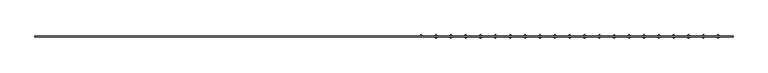
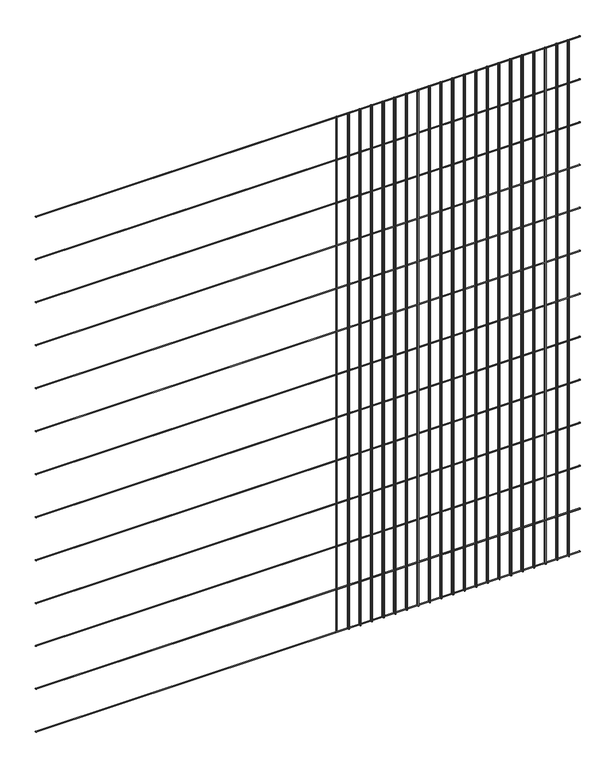
"""IFC4 building model written with IfcOpenShell, lengths in millimetres: railing geometry."""

from ifc_helpers import new_model, si_unit, point, frame, frame_2d, origin, place, context, project, spatial, circle_curve, trimmed, segment, composite_curve, outline, extrude, source, transform, mapped, element, save


def railing_7a34ae72(model_context):
    return source(origin(), model_context, "Body", "SweptSolid", [
        extrude(outline(composite_curve([segment(trimmed(circle_curve(frame_2d((-1798.7360363, 10060.4835937)), 2.0574), [point((-1796.6786363, 10060.4835937))], [point((-1800.7934363, 10060.4835937))], False, "CARTESIAN"), True, "CONTINUOUS"), segment(trimmed(circle_curve(frame_2d((-1798.7360363, 10060.4835937)), 2.0574), [point((-1800.7934363, 10060.4835937))], [point((-1796.6786363, 10060.4835937))], False, "CARTESIAN"), True, "CONTINUOUS")], self_intersect=False)), frame((906.5418624, 0.0, 0.0), z_axis=(1.0, 0.0, 0.0), x_axis=(0.0, 1.0, 0.0)), (0.0, 0.0, 1.0), 2438.4),
        extrude(outline(composite_curve([segment(trimmed(circle_curve(frame_2d((-1798.7360363, 9857.2835937)), 2.0574), [point((-1796.6786363, 9857.2835937))], [point((-1800.7934363, 9857.2835937))], False, "CARTESIAN"), True, "CONTINUOUS"), segment(trimmed(circle_curve(frame_2d((-1798.7360363, 9857.2835937)), 2.0574), [point((-1800.7934363, 9857.2835937))], [point((-1796.6786363, 9857.2835937))], False, "CARTESIAN"), True, "CONTINUOUS")], self_intersect=False)), frame((906.5418624, 0.0, 0.0), z_axis=(1.0, 0.0, 0.0), x_axis=(0.0, 1.0, 0.0)), (0.0, 0.0, 1.0), 2438.4),
        extrude(outline(composite_curve([segment(trimmed(circle_curve(frame_2d((-1798.7360363, 9654.0835937)), 2.0574), [point((-1796.6786363, 9654.0835937))], [point((-1800.7934363, 9654.0835937))], False, "CARTESIAN"), True, "CONTINUOUS"), segment(trimmed(circle_curve(frame_2d((-1798.7360363, 9654.0835937)), 2.0574), [point((-1800.7934363, 9654.0835937))], [point((-1796.6786363, 9654.0835937))], False, "CARTESIAN"), True, "CONTINUOUS")], self_intersect=False)), frame((906.5418624, 0.0, 0.0), z_axis=(1.0, 0.0, 0.0), x_axis=(0.0, 1.0, 0.0)), (0.0, 0.0, 1.0), 2438.4),
        extrude(outline(composite_curve([segment(trimmed(circle_curve(frame_2d((-1798.7360363, 9450.8835937)), 2.0574), [point((-1796.6786363, 9450.8835937))], [point((-1800.7934363, 9450.8835937))], False, "CARTESIAN"), True, "CONTINUOUS"), segment(trimmed(circle_curve(frame_2d((-1798.7360363, 9450.8835937)), 2.0574), [point((-1800.7934363, 9450.8835937))], [point((-1796.6786363, 9450.8835937))], False, "CARTESIAN"), True, "CONTINUOUS")], self_intersect=False)), frame((906.5418624, 0.0, 0.0), z_axis=(1.0, 0.0, 0.0), x_axis=(0.0, 1.0, 0.0)), (0.0, 0.0, 1.0), 2438.4),
        extrude(outline(composite_curve([segment(trimmed(circle_curve(frame_2d((-1798.7360363, 9247.6835937)), 2.0574), [point((-1796.6786363, 9247.6835937))], [point((-1800.7934363, 9247.6835937))], False, "CARTESIAN"), True, "CONTINUOUS"), segment(trimmed(circle_curve(frame_2d((-1798.7360363, 9247.6835937)), 2.0574), [point((-1800.7934363, 9247.6835937))], [point((-1796.6786363, 9247.6835937))], False, "CARTESIAN"), True, "CONTINUOUS")], self_intersect=False)), frame((906.5418624, 0.0, 0.0), z_axis=(1.0, 0.0, 0.0), x_axis=(0.0, 1.0, 0.0)), (0.0, 0.0, 1.0), 2438.4),
        extrude(outline(composite_curve([segment(trimmed(circle_curve(frame_2d((-1798.7360363, 9044.4835937)), 2.0574), [point((-1796.6786363, 9044.4835937))], [point((-1800.7934363, 9044.4835937))], False, "CARTESIAN"), True, "CONTINUOUS"), segment(trimmed(circle_curve(frame_2d((-1798.7360363, 9044.4835937)), 2.0574), [point((-1800.7934363, 9044.4835937))], [point((-1796.6786363, 9044.4835937))], False, "CARTESIAN"), True, "CONTINUOUS")], self_intersect=False)), frame((906.5418624, 0.0, 0.0), z_axis=(1.0, 0.0, 0.0), x_axis=(0.0, 1.0, 0.0)), (0.0, 0.0, 1.0), 2438.4),
        extrude(outline(composite_curve([segment(trimmed(circle_curve(frame_2d((-1798.7360363, 8841.2835937)), 2.0574), [point((-1796.6786363, 8841.2835937))], [point((-1800.7934363, 8841.2835937))], False, "CARTESIAN"), True, "CONTINUOUS"), segment(trimmed(circle_curve(frame_2d((-1798.7360363, 8841.2835937)), 2.0574), [point((-1800.7934363, 8841.2835937))], [point((-1796.6786363, 8841.2835937))], False, "CARTESIAN"), True, "CONTINUOUS")], self_intersect=False)), frame((906.5418624, 0.0, 0.0), z_axis=(1.0, 0.0, 0.0), x_axis=(0.0, 1.0, 0.0)), (0.0, 0.0, 1.0), 2438.4),
        extrude(outline(composite_curve([segment(trimmed(circle_curve(frame_2d((-1798.7360363, 8638.0835937)), 2.0574), [point((-1796.6786363, 8638.0835937))], [point((-1800.7934363, 8638.0835937))], False, "CARTESIAN"), True, "CONTINUOUS"), segment(trimmed(circle_curve(frame_2d((-1798.7360363, 8638.0835937)), 2.0574), [point((-1800.7934363, 8638.0835937))], [point((-1796.6786363, 8638.0835937))], False, "CARTESIAN"), True, "CONTINUOUS")], self_intersect=False)), frame((906.5418624, 0.0, 0.0), z_axis=(1.0, 0.0, 0.0), x_axis=(0.0, 1.0, 0.0)), (0.0, 0.0, 1.0), 2438.4),
        extrude(outline(composite_curve([segment(trimmed(circle_curve(frame_2d((-1798.7360363, 8434.8835937)), 2.0574), [point((-1796.6786363, 8434.8835937))], [point((-1800.7934363, 8434.8835937))], False, "CARTESIAN"), True, "CONTINUOUS"), segment(trimmed(circle_curve(frame_2d((-1798.7360363, 8434.8835937)), 2.0574), [point((-1800.7934363, 8434.8835937))], [point((-1796.6786363, 8434.8835937))], False, "CARTESIAN"), True, "CONTINUOUS")], self_intersect=False)), frame((906.5418624, 0.0, 0.0), z_axis=(1.0, 0.0, 0.0), x_axis=(0.0, 1.0, 0.0)), (0.0, 0.0, 1.0), 2438.4),
        extrude(outline(composite_curve([segment(trimmed(circle_curve(frame_2d((-1798.7360363, 8231.6835937)), 2.0574), [point((-1796.6786363, 8231.6835937))], [point((-1800.7934363, 8231.6835937))], False, "CARTESIAN"), True, "CONTINUOUS"), segment(trimmed(circle_curve(frame_2d((-1798.7360363, 8231.6835937)), 2.0574), [point((-1800.7934363, 8231.6835937))], [point((-1796.6786363, 8231.6835937))], False, "CARTESIAN"), True, "CONTINUOUS")], self_intersect=False)), frame((906.5418624, 0.0, 0.0), z_axis=(1.0, 0.0, 0.0), x_axis=(0.0, 1.0, 0.0)), (0.0, 0.0, 1.0), 2438.4),
        extrude(outline(composite_curve([segment(trimmed(circle_curve(frame_2d((-1798.7360363, 8028.4835937)), 2.0574), [point((-1796.6786363, 8028.4835937))], [point((-1800.7934363, 8028.4835937))], False, "CARTESIAN"), True, "CONTINUOUS"), segment(trimmed(circle_curve(frame_2d((-1798.7360363, 8028.4835937)), 2.0574), [point((-1800.7934363, 8028.4835937))], [point((-1796.6786363, 8028.4835937))], False, "CARTESIAN"), True, "CONTINUOUS")], self_intersect=False)), frame((906.5418624, 0.0, 0.0), z_axis=(1.0, 0.0, 0.0), x_axis=(0.0, 1.0, 0.0)), (0.0, 0.0, 1.0), 2438.4),
        extrude(outline(composite_curve([segment(trimmed(circle_curve(frame_2d((-1798.7360363, 7825.2835937)), 2.0574), [point((-1796.6786363, 7825.2835937))], [point((-1800.7934363, 7825.2835937))], False, "CARTESIAN"), True, "CONTINUOUS"), segment(trimmed(circle_curve(frame_2d((-1798.7360363, 7825.2835937)), 2.0574), [point((-1800.7934363, 7825.2835937))], [point((-1796.6786363, 7825.2835937))], False, "CARTESIAN"), True, "CONTINUOUS")], self_intersect=False)), frame((906.5418624, 0.0, 0.0), z_axis=(1.0, 0.0, 0.0), x_axis=(0.0, 1.0, 0.0)), (0.0, 0.0, 1.0), 2438.4),
        extrude(outline(composite_curve([segment(trimmed(circle_curve(frame_2d((-1798.7360363, 7622.0835937)), 2.0574), [point((-1796.6786363, 7622.0835937))], [point((-1800.7934363, 7622.0835937))], False, "CARTESIAN"), True, "CONTINUOUS"), segment(trimmed(circle_curve(frame_2d((-1798.7360363, 7622.0835937)), 2.0574), [point((-1800.7934363, 7622.0835937))], [point((-1796.6786363, 7622.0835937))], False, "CARTESIAN"), True, "CONTINUOUS")], self_intersect=False)), frame((906.5418624, 0.0, 0.0), z_axis=(1.0, 0.0, 0.0), x_axis=(0.0, 1.0, 0.0)), (0.0, 0.0, 1.0), 2438.4),
        extrude(outline(composite_curve([segment(trimmed(circle_curve(frame_2d((3293.0610113, -1794.6212363)), 2.0574), [point((3293.0610113, -1796.6786363))], [point((3293.0610113, -1792.5638363))], False, "CARTESIAN"), True, "CONTINUOUS"), segment(trimmed(circle_curve(frame_2d((3293.0610113, -1794.6212363)), 2.0574), [point((3293.0610113, -1792.5638363))], [point((3293.0610113, -1796.6786363))], False, "CARTESIAN"), True, "CONTINUOUS")], self_intersect=False)), frame((0.0, 0.0, 7620.0), z_axis=(0.0, 0.0, 1.0), x_axis=(1.0, 0.0, 0.0)), (0.0, 0.0, 1.0), 2438.4),
        extrude(outline(composite_curve([segment(trimmed(circle_curve(frame_2d((3293.0610113, -1802.8508363)), 2.0574), [point((3293.0610113, -1800.7934363))], [point((3293.0610113, -1804.9082363))], False, "CARTESIAN"), True, "CONTINUOUS"), segment(trimmed(circle_curve(frame_2d((3293.0610113, -1802.8508363)), 2.0574), [point((3293.0610113, -1804.9082363))], [point((3293.0610113, -1800.7934363))], False, "CARTESIAN"), True, "CONTINUOUS")], self_intersect=False)), frame((0.0, 0.0, 7620.0), z_axis=(0.0, 0.0, 1.0), x_axis=(1.0, 0.0, 0.0)), (0.0, 0.0, 1.0), 2438.4),
        extrude(outline(composite_curve([segment(trimmed(circle_curve(frame_2d((3241.1801603, -1794.6212363)), 2.0574), [point((3241.1801603, -1796.6786363))], [point((3241.1801603, -1792.5638363))], False, "CARTESIAN"), True, "CONTINUOUS"), segment(trimmed(circle_curve(frame_2d((3241.1801603, -1794.6212363)), 2.0574), [point((3241.1801603, -1792.5638363))], [point((3241.1801603, -1796.6786363))], False, "CARTESIAN"), True, "CONTINUOUS")], self_intersect=False)), frame((0.0, 0.0, 7620.0), z_axis=(0.0, 0.0, 1.0), x_axis=(1.0, 0.0, 0.0)), (0.0, 0.0, 1.0), 2438.4),
        extrude(outline(composite_curve([segment(trimmed(circle_curve(frame_2d((3241.1801603, -1802.8508363)), 2.0574), [point((3241.1801603, -1800.7934363))], [point((3241.1801603, -1804.9082363))], False, "CARTESIAN"), True, "CONTINUOUS"), segment(trimmed(circle_curve(frame_2d((3241.1801603, -1802.8508363)), 2.0574), [point((3241.1801603, -1804.9082363))], [point((3241.1801603, -1800.7934363))], False, "CARTESIAN"), True, "CONTINUOUS")], self_intersect=False)), frame((0.0, 0.0, 7620.0), z_axis=(0.0, 0.0, 1.0), x_axis=(1.0, 0.0, 0.0)), (0.0, 0.0, 1.0), 2438.4),
        extrude(outline(composite_curve([segment(trimmed(circle_curve(frame_2d((3189.2993092, -1794.6212363)), 2.0574), [point((3189.2993092, -1796.6786363))], [point((3189.2993092, -1792.5638363))], False, "CARTESIAN"), True, "CONTINUOUS"), segment(trimmed(circle_curve(frame_2d((3189.2993092, -1794.6212363)), 2.0574), [point((3189.2993092, -1792.5638363))], [point((3189.2993092, -1796.6786363))], False, "CARTESIAN"), True, "CONTINUOUS")], self_intersect=False)), frame((0.0, 0.0, 7620.0), z_axis=(0.0, 0.0, 1.0), x_axis=(1.0, 0.0, 0.0)), (0.0, 0.0, 1.0), 2438.4),
        extrude(outline(composite_curve([segment(trimmed(circle_curve(frame_2d((3189.2993092, -1802.8508363)), 2.0574), [point((3189.2993092, -1800.7934363))], [point((3189.2993092, -1804.9082363))], False, "CARTESIAN"), True, "CONTINUOUS"), segment(trimmed(circle_curve(frame_2d((3189.2993092, -1802.8508363)), 2.0574), [point((3189.2993092, -1804.9082363))], [point((3189.2993092, -1800.7934363))], False, "CARTESIAN"), True, "CONTINUOUS")], self_intersect=False)), frame((0.0, 0.0, 7620.0), z_axis=(0.0, 0.0, 1.0), x_axis=(1.0, 0.0, 0.0)), (0.0, 0.0, 1.0), 2438.4),
        extrude(outline(composite_curve([segment(trimmed(circle_curve(frame_2d((3137.4184581, -1794.6212363)), 2.0574), [point((3137.4184581, -1796.6786363))], [point((3137.4184581, -1792.5638363))], False, "CARTESIAN"), True, "CONTINUOUS"), segment(trimmed(circle_curve(frame_2d((3137.4184581, -1794.6212363)), 2.0574), [point((3137.4184581, -1792.5638363))], [point((3137.4184581, -1796.6786363))], False, "CARTESIAN"), True, "CONTINUOUS")], self_intersect=False)), frame((0.0, 0.0, 7620.0), z_axis=(0.0, 0.0, 1.0), x_axis=(1.0, 0.0, 0.0)), (0.0, 0.0, 1.0), 2438.4),
        extrude(outline(composite_curve([segment(trimmed(circle_curve(frame_2d((3137.4184581, -1802.8508363)), 2.0574), [point((3137.4184581, -1800.7934363))], [point((3137.4184581, -1804.9082363))], False, "CARTESIAN"), True, "CONTINUOUS"), segment(trimmed(circle_curve(frame_2d((3137.4184581, -1802.8508363)), 2.0574), [point((3137.4184581, -1804.9082363))], [point((3137.4184581, -1800.7934363))], False, "CARTESIAN"), True, "CONTINUOUS")], self_intersect=False)), frame((0.0, 0.0, 7620.0), z_axis=(0.0, 0.0, 1.0), x_axis=(1.0, 0.0, 0.0)), (0.0, 0.0, 1.0), 2438.4),
        extrude(outline(composite_curve([segment(trimmed(circle_curve(frame_2d((3085.5376071, -1794.6212363)), 2.0574), [point((3085.5376071, -1796.6786363))], [point((3085.5376071, -1792.5638363))], False, "CARTESIAN"), True, "CONTINUOUS"), segment(trimmed(circle_curve(frame_2d((3085.5376071, -1794.6212363)), 2.0574), [point((3085.5376071, -1792.5638363))], [point((3085.5376071, -1796.6786363))], False, "CARTESIAN"), True, "CONTINUOUS")], self_intersect=False)), frame((0.0, 0.0, 7620.0), z_axis=(0.0, 0.0, 1.0), x_axis=(1.0, 0.0, 0.0)), (0.0, 0.0, 1.0), 2438.4),
        extrude(outline(composite_curve([segment(trimmed(circle_curve(frame_2d((3085.5376071, -1802.8508363)), 2.0574), [point((3085.5376071, -1800.7934363))], [point((3085.5376071, -1804.9082363))], False, "CARTESIAN"), True, "CONTINUOUS"), segment(trimmed(circle_curve(frame_2d((3085.5376071, -1802.8508363)), 2.0574), [point((3085.5376071, -1804.9082363))], [point((3085.5376071, -1800.7934363))], False, "CARTESIAN"), True, "CONTINUOUS")], self_intersect=False)), frame((0.0, 0.0, 7620.0), z_axis=(0.0, 0.0, 1.0), x_axis=(1.0, 0.0, 0.0)), (0.0, 0.0, 1.0), 2438.4),
        extrude(outline(composite_curve([segment(trimmed(circle_curve(frame_2d((3033.656756, -1794.6212363)), 2.0574), [point((3033.656756, -1796.6786363))], [point((3033.656756, -1792.5638363))], False, "CARTESIAN"), True, "CONTINUOUS"), segment(trimmed(circle_curve(frame_2d((3033.656756, -1794.6212363)), 2.0574), [point((3033.656756, -1792.5638363))], [point((3033.656756, -1796.6786363))], False, "CARTESIAN"), True, "CONTINUOUS")], self_intersect=False)), frame((0.0, 0.0, 7620.0), z_axis=(0.0, 0.0, 1.0), x_axis=(1.0, 0.0, 0.0)), (0.0, 0.0, 1.0), 2438.4),
        extrude(outline(composite_curve([segment(trimmed(circle_curve(frame_2d((3033.656756, -1802.8508363)), 2.0574), [point((3033.656756, -1800.7934363))], [point((3033.656756, -1804.9082363))], False, "CARTESIAN"), True, "CONTINUOUS"), segment(trimmed(circle_curve(frame_2d((3033.656756, -1802.8508363)), 2.0574), [point((3033.656756, -1804.9082363))], [point((3033.656756, -1800.7934363))], False, "CARTESIAN"), True, "CONTINUOUS")], self_intersect=False)), frame((0.0, 0.0, 7620.0), z_axis=(0.0, 0.0, 1.0), x_axis=(1.0, 0.0, 0.0)), (0.0, 0.0, 1.0), 2438.4),
        extrude(outline(composite_curve([segment(trimmed(circle_curve(frame_2d((2981.7759049, -1794.6212363)), 2.0574), [point((2981.7759049, -1796.6786363))], [point((2981.7759049, -1792.5638363))], False, "CARTESIAN"), True, "CONTINUOUS"), segment(trimmed(circle_curve(frame_2d((2981.7759049, -1794.6212363)), 2.0574), [point((2981.7759049, -1792.5638363))], [point((2981.7759049, -1796.6786363))], False, "CARTESIAN"), True, "CONTINUOUS")], self_intersect=False)), frame((0.0, 0.0, 7620.0), z_axis=(0.0, 0.0, 1.0), x_axis=(1.0, 0.0, 0.0)), (0.0, 0.0, 1.0), 2438.4),
        extrude(outline(composite_curve([segment(trimmed(circle_curve(frame_2d((2981.7759049, -1802.8508363)), 2.0574), [point((2981.7759049, -1800.7934363))], [point((2981.7759049, -1804.9082363))], False, "CARTESIAN"), True, "CONTINUOUS"), segment(trimmed(circle_curve(frame_2d((2981.7759049, -1802.8508363)), 2.0574), [point((2981.7759049, -1804.9082363))], [point((2981.7759049, -1800.7934363))], False, "CARTESIAN"), True, "CONTINUOUS")], self_intersect=False)), frame((0.0, 0.0, 7620.0), z_axis=(0.0, 0.0, 1.0), x_axis=(1.0, 0.0, 0.0)), (0.0, 0.0, 1.0), 2438.4),
        extrude(outline(composite_curve([segment(trimmed(circle_curve(frame_2d((2929.8950539, -1794.6212363)), 2.0574), [point((2929.8950539, -1796.6786363))], [point((2929.8950539, -1792.5638363))], False, "CARTESIAN"), True, "CONTINUOUS"), segment(trimmed(circle_curve(frame_2d((2929.8950539, -1794.6212363)), 2.0574), [point((2929.8950539, -1792.5638363))], [point((2929.8950539, -1796.6786363))], False, "CARTESIAN"), True, "CONTINUOUS")], self_intersect=False)), frame((0.0, 0.0, 7620.0), z_axis=(0.0, 0.0, 1.0), x_axis=(1.0, 0.0, 0.0)), (0.0, 0.0, 1.0), 2438.4),
        extrude(outline(composite_curve([segment(trimmed(circle_curve(frame_2d((2929.8950539, -1802.8508363)), 2.0574), [point((2929.8950539, -1800.7934363))], [point((2929.8950539, -1804.9082363))], False, "CARTESIAN"), True, "CONTINUOUS"), segment(trimmed(circle_curve(frame_2d((2929.8950539, -1802.8508363)), 2.0574), [point((2929.8950539, -1804.9082363))], [point((2929.8950539, -1800.7934363))], False, "CARTESIAN"), True, "CONTINUOUS")], self_intersect=False)), frame((0.0, 0.0, 7620.0), z_axis=(0.0, 0.0, 1.0), x_axis=(1.0, 0.0, 0.0)), (0.0, 0.0, 1.0), 2438.4),
        extrude(outline(composite_curve([segment(trimmed(circle_curve(frame_2d((2878.0142028, -1794.6212363)), 2.0574), [point((2878.0142028, -1796.6786363))], [point((2878.0142028, -1792.5638363))], False, "CARTESIAN"), True, "CONTINUOUS"), segment(trimmed(circle_curve(frame_2d((2878.0142028, -1794.6212363)), 2.0574), [point((2878.0142028, -1792.5638363))], [point((2878.0142028, -1796.6786363))], False, "CARTESIAN"), True, "CONTINUOUS")], self_intersect=False)), frame((0.0, 0.0, 7620.0), z_axis=(0.0, 0.0, 1.0), x_axis=(1.0, 0.0, 0.0)), (0.0, 0.0, 1.0), 2438.4),
        extrude(outline(composite_curve([segment(trimmed(circle_curve(frame_2d((2878.0142028, -1802.8508363)), 2.0574), [point((2878.0142028, -1800.7934363))], [point((2878.0142028, -1804.9082363))], False, "CARTESIAN"), True, "CONTINUOUS"), segment(trimmed(circle_curve(frame_2d((2878.0142028, -1802.8508363)), 2.0574), [point((2878.0142028, -1804.9082363))], [point((2878.0142028, -1800.7934363))], False, "CARTESIAN"), True, "CONTINUOUS")], self_intersect=False)), frame((0.0, 0.0, 7620.0), z_axis=(0.0, 0.0, 1.0), x_axis=(1.0, 0.0, 0.0)), (0.0, 0.0, 1.0), 2438.4),
        extrude(outline(composite_curve([segment(trimmed(circle_curve(frame_2d((2826.1333518, -1794.6212363)), 2.0574), [point((2826.1333518, -1796.6786363))], [point((2826.1333518, -1792.5638363))], False, "CARTESIAN"), True, "CONTINUOUS"), segment(trimmed(circle_curve(frame_2d((2826.1333518, -1794.6212363)), 2.0574), [point((2826.1333518, -1792.5638363))], [point((2826.1333518, -1796.6786363))], False, "CARTESIAN"), True, "CONTINUOUS")], self_intersect=False)), frame((0.0, 0.0, 7620.0), z_axis=(0.0, 0.0, 1.0), x_axis=(1.0, 0.0, 0.0)), (0.0, 0.0, 1.0), 2438.4),
        extrude(outline(composite_curve([segment(trimmed(circle_curve(frame_2d((2826.1333518, -1802.8508363)), 2.0574), [point((2826.1333518, -1800.7934363))], [point((2826.1333518, -1804.9082363))], False, "CARTESIAN"), True, "CONTINUOUS"), segment(trimmed(circle_curve(frame_2d((2826.1333518, -1802.8508363)), 2.0574), [point((2826.1333518, -1804.9082363))], [point((2826.1333518, -1800.7934363))], False, "CARTESIAN"), True, "CONTINUOUS")], self_intersect=False)), frame((0.0, 0.0, 7620.0), z_axis=(0.0, 0.0, 1.0), x_axis=(1.0, 0.0, 0.0)), (0.0, 0.0, 1.0), 2438.4),
        extrude(outline(composite_curve([segment(trimmed(circle_curve(frame_2d((2774.2525007, -1794.6212363)), 2.0574), [point((2774.2525007, -1796.6786363))], [point((2774.2525007, -1792.5638363))], False, "CARTESIAN"), True, "CONTINUOUS"), segment(trimmed(circle_curve(frame_2d((2774.2525007, -1794.6212363)), 2.0574), [point((2774.2525007, -1792.5638363))], [point((2774.2525007, -1796.6786363))], False, "CARTESIAN"), True, "CONTINUOUS")], self_intersect=False)), frame((0.0, 0.0, 7620.0), z_axis=(0.0, 0.0, 1.0), x_axis=(1.0, 0.0, 0.0)), (0.0, 0.0, 1.0), 2438.4),
        extrude(outline(composite_curve([segment(trimmed(circle_curve(frame_2d((2774.2525007, -1802.8508363)), 2.0574), [point((2774.2525007, -1800.7934363))], [point((2774.2525007, -1804.9082363))], False, "CARTESIAN"), True, "CONTINUOUS"), segment(trimmed(circle_curve(frame_2d((2774.2525007, -1802.8508363)), 2.0574), [point((2774.2525007, -1804.9082363))], [point((2774.2525007, -1800.7934363))], False, "CARTESIAN"), True, "CONTINUOUS")], self_intersect=False)), frame((0.0, 0.0, 7620.0), z_axis=(0.0, 0.0, 1.0), x_axis=(1.0, 0.0, 0.0)), (0.0, 0.0, 1.0), 2438.4),
        extrude(outline(composite_curve([segment(trimmed(circle_curve(frame_2d((2722.3716496, -1794.6212363)), 2.0574), [point((2722.3716496, -1796.6786363))], [point((2722.3716496, -1792.5638363))], False, "CARTESIAN"), True, "CONTINUOUS"), segment(trimmed(circle_curve(frame_2d((2722.3716496, -1794.6212363)), 2.0574), [point((2722.3716496, -1792.5638363))], [point((2722.3716496, -1796.6786363))], False, "CARTESIAN"), True, "CONTINUOUS")], self_intersect=False)), frame((0.0, 0.0, 7620.0), z_axis=(0.0, 0.0, 1.0), x_axis=(1.0, 0.0, 0.0)), (0.0, 0.0, 1.0), 2438.4),
        extrude(outline(composite_curve([segment(trimmed(circle_curve(frame_2d((2722.3716496, -1802.8508363)), 2.0574), [point((2722.3716496, -1800.7934363))], [point((2722.3716496, -1804.9082363))], False, "CARTESIAN"), True, "CONTINUOUS"), segment(trimmed(circle_curve(frame_2d((2722.3716496, -1802.8508363)), 2.0574), [point((2722.3716496, -1804.9082363))], [point((2722.3716496, -1800.7934363))], False, "CARTESIAN"), True, "CONTINUOUS")], self_intersect=False)), frame((0.0, 0.0, 7620.0), z_axis=(0.0, 0.0, 1.0), x_axis=(1.0, 0.0, 0.0)), (0.0, 0.0, 1.0), 2438.4),
        extrude(outline(composite_curve([segment(trimmed(circle_curve(frame_2d((2670.4907986, -1794.6212363)), 2.0574), [point((2670.4907986, -1796.6786363))], [point((2670.4907986, -1792.5638363))], False, "CARTESIAN"), True, "CONTINUOUS"), segment(trimmed(circle_curve(frame_2d((2670.4907986, -1794.6212363)), 2.0574), [point((2670.4907986, -1792.5638363))], [point((2670.4907986, -1796.6786363))], False, "CARTESIAN"), True, "CONTINUOUS")], self_intersect=False)), frame((0.0, 0.0, 7620.0), z_axis=(0.0, 0.0, 1.0), x_axis=(1.0, 0.0, 0.0)), (0.0, 0.0, 1.0), 2438.4),
        extrude(outline(composite_curve([segment(trimmed(circle_curve(frame_2d((2670.4907986, -1802.8508363)), 2.0574), [point((2670.4907986, -1800.7934363))], [point((2670.4907986, -1804.9082363))], False, "CARTESIAN"), True, "CONTINUOUS"), segment(trimmed(circle_curve(frame_2d((2670.4907986, -1802.8508363)), 2.0574), [point((2670.4907986, -1804.9082363))], [point((2670.4907986, -1800.7934363))], False, "CARTESIAN"), True, "CONTINUOUS")], self_intersect=False)), frame((0.0, 0.0, 7620.0), z_axis=(0.0, 0.0, 1.0), x_axis=(1.0, 0.0, 0.0)), (0.0, 0.0, 1.0), 2438.4),
        extrude(outline(composite_curve([segment(trimmed(circle_curve(frame_2d((2618.6099475, -1794.6212363)), 2.0574), [point((2618.6099475, -1796.6786363))], [point((2618.6099475, -1792.5638363))], False, "CARTESIAN"), True, "CONTINUOUS"), segment(trimmed(circle_curve(frame_2d((2618.6099475, -1794.6212363)), 2.0574), [point((2618.6099475, -1792.5638363))], [point((2618.6099475, -1796.6786363))], False, "CARTESIAN"), True, "CONTINUOUS")], self_intersect=False)), frame((0.0, 0.0, 7620.0), z_axis=(0.0, 0.0, 1.0), x_axis=(1.0, 0.0, 0.0)), (0.0, 0.0, 1.0), 2438.4),
        extrude(outline(composite_curve([segment(trimmed(circle_curve(frame_2d((2618.6099475, -1802.8508363)), 2.0574), [point((2618.6099475, -1800.7934363))], [point((2618.6099475, -1804.9082363))], False, "CARTESIAN"), True, "CONTINUOUS"), segment(trimmed(circle_curve(frame_2d((2618.6099475, -1802.8508363)), 2.0574), [point((2618.6099475, -1804.9082363))], [point((2618.6099475, -1800.7934363))], False, "CARTESIAN"), True, "CONTINUOUS")], self_intersect=False)), frame((0.0, 0.0, 7620.0), z_axis=(0.0, 0.0, 1.0), x_axis=(1.0, 0.0, 0.0)), (0.0, 0.0, 1.0), 2438.4),
        extrude(outline(composite_curve([segment(trimmed(circle_curve(frame_2d((2566.7290964, -1794.6212363)), 2.0574), [point((2566.7290964, -1796.6786363))], [point((2566.7290964, -1792.5638363))], False, "CARTESIAN"), True, "CONTINUOUS"), segment(trimmed(circle_curve(frame_2d((2566.7290964, -1794.6212363)), 2.0574), [point((2566.7290964, -1792.5638363))], [point((2566.7290964, -1796.6786363))], False, "CARTESIAN"), True, "CONTINUOUS")], self_intersect=False)), frame((0.0, 0.0, 7620.0), z_axis=(0.0, 0.0, 1.0), x_axis=(1.0, 0.0, 0.0)), (0.0, 0.0, 1.0), 2438.4),
        extrude(outline(composite_curve([segment(trimmed(circle_curve(frame_2d((2566.7290964, -1802.8508363)), 2.0574), [point((2566.7290964, -1800.7934363))], [point((2566.7290964, -1804.9082363))], False, "CARTESIAN"), True, "CONTINUOUS"), segment(trimmed(circle_curve(frame_2d((2566.7290964, -1802.8508363)), 2.0574), [point((2566.7290964, -1804.9082363))], [point((2566.7290964, -1800.7934363))], False, "CARTESIAN"), True, "CONTINUOUS")], self_intersect=False)), frame((0.0, 0.0, 7620.0), z_axis=(0.0, 0.0, 1.0), x_axis=(1.0, 0.0, 0.0)), (0.0, 0.0, 1.0), 2438.4),
        extrude(outline(composite_curve([segment(trimmed(circle_curve(frame_2d((2514.8482454, -1794.6212363)), 2.0574), [point((2514.8482454, -1796.6786363))], [point((2514.8482454, -1792.5638363))], False, "CARTESIAN"), True, "CONTINUOUS"), segment(trimmed(circle_curve(frame_2d((2514.8482454, -1794.6212363)), 2.0574), [point((2514.8482454, -1792.5638363))], [point((2514.8482454, -1796.6786363))], False, "CARTESIAN"), True, "CONTINUOUS")], self_intersect=False)), frame((0.0, 0.0, 7620.0), z_axis=(0.0, 0.0, 1.0), x_axis=(1.0, 0.0, 0.0)), (0.0, 0.0, 1.0), 2438.4),
        extrude(outline(composite_curve([segment(trimmed(circle_curve(frame_2d((2514.8482454, -1802.8508363)), 2.0574), [point((2514.8482454, -1800.7934363))], [point((2514.8482454, -1804.9082363))], False, "CARTESIAN"), True, "CONTINUOUS"), segment(trimmed(circle_curve(frame_2d((2514.8482454, -1802.8508363)), 2.0574), [point((2514.8482454, -1804.9082363))], [point((2514.8482454, -1800.7934363))], False, "CARTESIAN"), True, "CONTINUOUS")], self_intersect=False)), frame((0.0, 0.0, 7620.0), z_axis=(0.0, 0.0, 1.0), x_axis=(1.0, 0.0, 0.0)), (0.0, 0.0, 1.0), 2438.4),
        extrude(outline(composite_curve([segment(trimmed(circle_curve(frame_2d((2462.9673943, -1794.6212363)), 2.0574), [point((2462.9673943, -1796.6786363))], [point((2462.9673943, -1792.5638363))], False, "CARTESIAN"), True, "CONTINUOUS"), segment(trimmed(circle_curve(frame_2d((2462.9673943, -1794.6212363)), 2.0574), [point((2462.9673943, -1792.5638363))], [point((2462.9673943, -1796.6786363))], False, "CARTESIAN"), True, "CONTINUOUS")], self_intersect=False)), frame((0.0, 0.0, 7620.0), z_axis=(0.0, 0.0, 1.0), x_axis=(1.0, 0.0, 0.0)), (0.0, 0.0, 1.0), 2438.4),
        extrude(outline(composite_curve([segment(trimmed(circle_curve(frame_2d((2462.9673943, -1802.8508363)), 2.0574), [point((2462.9673943, -1800.7934363))], [point((2462.9673943, -1804.9082363))], False, "CARTESIAN"), True, "CONTINUOUS"), segment(trimmed(circle_curve(frame_2d((2462.9673943, -1802.8508363)), 2.0574), [point((2462.9673943, -1804.9082363))], [point((2462.9673943, -1800.7934363))], False, "CARTESIAN"), True, "CONTINUOUS")], self_intersect=False)), frame((0.0, 0.0, 7620.0), z_axis=(0.0, 0.0, 1.0), x_axis=(1.0, 0.0, 0.0)), (0.0, 0.0, 1.0), 2438.4),
        extrude(outline(composite_curve([segment(trimmed(circle_curve(frame_2d((2411.0865432, -1794.6212363)), 2.0574), [point((2411.0865432, -1796.6786363))], [point((2411.0865432, -1792.5638363))], False, "CARTESIAN"), True, "CONTINUOUS"), segment(trimmed(circle_curve(frame_2d((2411.0865432, -1794.6212363)), 2.0574), [point((2411.0865432, -1792.5638363))], [point((2411.0865432, -1796.6786363))], False, "CARTESIAN"), True, "CONTINUOUS")], self_intersect=False)), frame((0.0, 0.0, 7620.0), z_axis=(0.0, 0.0, 1.0), x_axis=(1.0, 0.0, 0.0)), (0.0, 0.0, 1.0), 2438.4),
        extrude(outline(composite_curve([segment(trimmed(circle_curve(frame_2d((2411.0865432, -1802.8508363)), 2.0574), [point((2411.0865432, -1800.7934363))], [point((2411.0865432, -1804.9082363))], False, "CARTESIAN"), True, "CONTINUOUS"), segment(trimmed(circle_curve(frame_2d((2411.0865432, -1802.8508363)), 2.0574), [point((2411.0865432, -1804.9082363))], [point((2411.0865432, -1800.7934363))], False, "CARTESIAN"), True, "CONTINUOUS")], self_intersect=False)), frame((0.0, 0.0, 7620.0), z_axis=(0.0, 0.0, 1.0), x_axis=(1.0, 0.0, 0.0)), (0.0, 0.0, 1.0), 2438.4),
        extrude(outline(composite_curve([segment(trimmed(circle_curve(frame_2d((2359.2056922, -1794.6212363)), 2.0574), [point((2359.2056922, -1796.6786363))], [point((2359.2056922, -1792.5638363))], False, "CARTESIAN"), True, "CONTINUOUS"), segment(trimmed(circle_curve(frame_2d((2359.2056922, -1794.6212363)), 2.0574), [point((2359.2056922, -1792.5638363))], [point((2359.2056922, -1796.6786363))], False, "CARTESIAN"), True, "CONTINUOUS")], self_intersect=False)), frame((0.0, 0.0, 7620.0), z_axis=(0.0, 0.0, 1.0), x_axis=(1.0, 0.0, 0.0)), (0.0, 0.0, 1.0), 2438.4),
        extrude(outline(composite_curve([segment(trimmed(circle_curve(frame_2d((2359.2056922, -1802.8508363)), 2.0574), [point((2359.2056922, -1800.7934363))], [point((2359.2056922, -1804.9082363))], False, "CARTESIAN"), True, "CONTINUOUS"), segment(trimmed(circle_curve(frame_2d((2359.2056922, -1802.8508363)), 2.0574), [point((2359.2056922, -1804.9082363))], [point((2359.2056922, -1800.7934363))], False, "CARTESIAN"), True, "CONTINUOUS")], self_intersect=False)), frame((0.0, 0.0, 7620.0), z_axis=(0.0, 0.0, 1.0), x_axis=(1.0, 0.0, 0.0)), (0.0, 0.0, 1.0), 2438.4),
        extrude(outline(composite_curve([segment(trimmed(circle_curve(frame_2d((2307.3248411, -1794.6212363)), 2.0574), [point((2307.3248411, -1796.6786363))], [point((2307.3248411, -1792.5638363))], False, "CARTESIAN"), True, "CONTINUOUS"), segment(trimmed(circle_curve(frame_2d((2307.3248411, -1794.6212363)), 2.0574), [point((2307.3248411, -1792.5638363))], [point((2307.3248411, -1796.6786363))], False, "CARTESIAN"), True, "CONTINUOUS")], self_intersect=False)), frame((0.0, 0.0, 7620.0), z_axis=(0.0, 0.0, 1.0), x_axis=(1.0, 0.0, 0.0)), (0.0, 0.0, 1.0), 2438.4),
        extrude(outline(composite_curve([segment(trimmed(circle_curve(frame_2d((2307.3248411, -1802.8508363)), 2.0574), [point((2307.3248411, -1800.7934363))], [point((2307.3248411, -1804.9082363))], False, "CARTESIAN"), True, "CONTINUOUS"), segment(trimmed(circle_curve(frame_2d((2307.3248411, -1802.8508363)), 2.0574), [point((2307.3248411, -1804.9082363))], [point((2307.3248411, -1800.7934363))], False, "CARTESIAN"), True, "CONTINUOUS")], self_intersect=False)), frame((0.0, 0.0, 7620.0), z_axis=(0.0, 0.0, 1.0), x_axis=(1.0, 0.0, 0.0)), (0.0, 0.0, 1.0), 2438.4),
        extrude(outline(composite_curve([segment(trimmed(circle_curve(frame_2d((2255.44399, -1794.6212363)), 2.0574), [point((2255.44399, -1796.6786363))], [point((2255.44399, -1792.5638363))], False, "CARTESIAN"), True, "CONTINUOUS"), segment(trimmed(circle_curve(frame_2d((2255.44399, -1794.6212363)), 2.0574), [point((2255.44399, -1792.5638363))], [point((2255.44399, -1796.6786363))], False, "CARTESIAN"), True, "CONTINUOUS")], self_intersect=False)), frame((0.0, 0.0, 7620.0), z_axis=(0.0, 0.0, 1.0), x_axis=(1.0, 0.0, 0.0)), (0.0, 0.0, 1.0), 2438.4),
    ])


if __name__ == "__main__":
    model = new_model("IFC4")
    model_context = context("Model", 3, world=origin())
    ifc_project = project(units=[si_unit("LENGTHUNIT", "METRE", prefix="MILLI")], contexts=[model_context])
    site = spatial("IfcSite", under=ifc_project)
    building = spatial("IfcBuilding", under=site)
    placement = place(None, origin())
    railing_shape = railing_7a34ae72(model_context)
    element("IfcRailing", 1, at=placement, inside=building, context=model_context, shape_type="MappedRepresentation", body=[
        mapped(railing_shape, transform((0.0, 0.0, 0.0), x_axis=(1.0, 0.0, 0.0), y_axis=(0.0, 1.0, 0.0), z_axis=(0.0, 0.0, 1.0))),
    ])
    save(model, "model.ifc")
